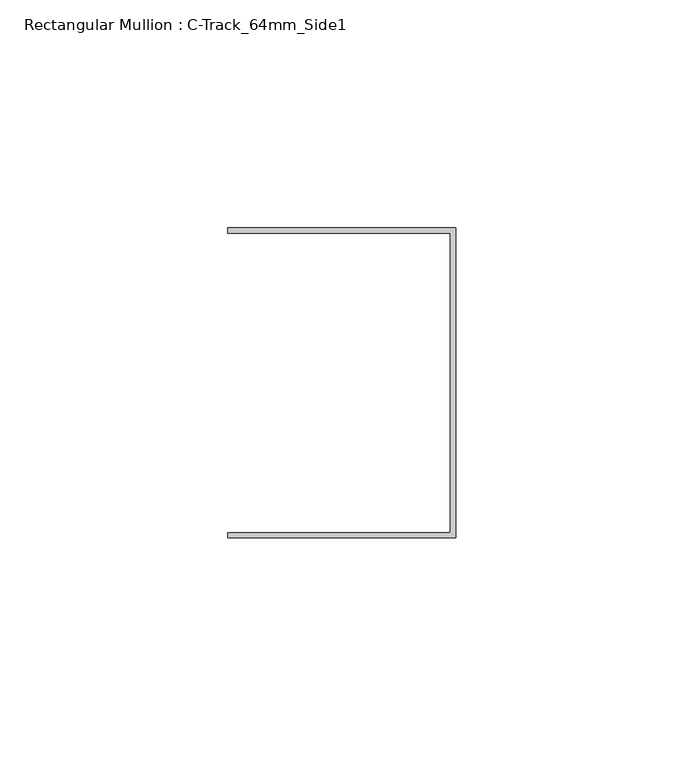
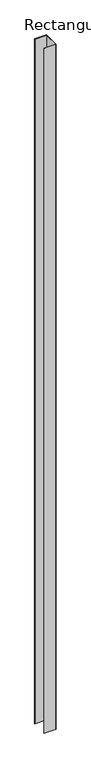
"""IFC4 building model written with IfcOpenShell, lengths in millimetres: member geometry, Rectangular Mullion : C-Track_64mm_Side1."""

from ifc_helpers import new_model, si_unit, frame, origin, place, context, project, spatial, polyline, outline, extrude, source, transform, mapped, element, save


def rectangular_mullion_c_track_64mm_side1_9823cc39(model_context):
    return source(origin(), model_context, "Body", "SweptSolid", [
        extrude(outline(polyline([(-1.15, 32.85), (-50.0, 32.85), (-50.0, 34.0), (0.0, 34.0), (0.0, -34.0), (-50.0, -34.0), (-50.0, -32.85), (-1.15, -32.85), (-1.15, 32.85)])), frame((0.0, 0.0, -3000.0), z_axis=(0.0, 0.0, 1.0), x_axis=(1.0, 0.0, 0.0)), (0.0, 0.0, 1.0), 3000.0),
    ])


if __name__ == "__main__":
    model = new_model("IFC4")
    model_context = context("Model", 3, world=origin())
    ifc_project = project(units=[si_unit("LENGTHUNIT", "METRE", prefix="MILLI")], contexts=[model_context])
    site = spatial("IfcSite", under=ifc_project)
    building = spatial("IfcBuilding", under=site)
    placement = place(None, origin())
    rectangular_mullion_c_track_64mm_side1_shape = rectangular_mullion_c_track_64mm_side1_9823cc39(model_context)
    element("IfcMember", 1, ObjectType="Rectangular Mullion : C-Track_64mm_Side1", at=placement, inside=building, context=model_context, shape_type="MappedRepresentation", body=[
        mapped(rectangular_mullion_c_track_64mm_side1_shape, transform((0.0, 0.0, 0.0), x_axis=(1.0, 0.0, 0.0), y_axis=(0.0, 1.0, 0.0), z_axis=(0.0, 0.0, 1.0))),
    ])
    save(model, "model.ifc")
